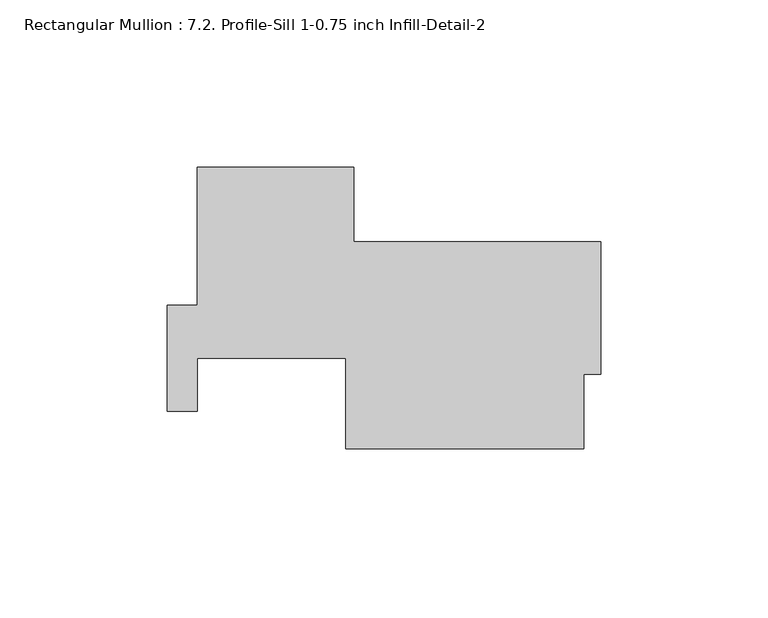
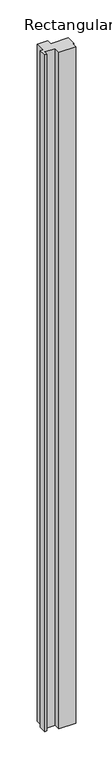
"""IFC4 building model written with IfcOpenShell, lengths in millimetres: member geometry, Rectangular Mullion : 7.2. Profile-Sill 1-0.75 inch Infill-Detail-2."""

import ifcopenshell
import ifcopenshell.guid

model = None  # the IFC model being written
_history = None  # IfcOwnerHistory: only IFC2X3 demands one
_inside = {}  # id of a spatial element -> (the spatial element, [elements in it])
_under = {}  # id of a project, library or spatial element -> (it, [spatial elements below it])
_declared = {}  # id of a project -> (the project, [libraries it declares])
_typed = {}  # id of a type object -> (the type object, [elements of that type])
_made_of = {}  # id of a material, layer set ... -> (it, [elements and type objects made of it])


def new_model(schema):
    """Start an empty IFC model of exactly this schema.

    Asked for "IFC4X3", IfcOpenShell would pick the latest addendum, in which some entities
    have other attributes; the version numbers below select the first issue.
    IFC2X3 requires an IfcOwnerHistory on every rooted entity: one is made here for all.
    """
    global model, _history
    if schema == "IFC4X3":
        model = ifcopenshell.file(schema_version=(4, 3, 0, 0))
    else:
        model = ifcopenshell.file(schema=schema)
    _inside.clear()
    _under.clear()
    _declared.clear()
    _typed.clear()
    _made_of.clear()
    _history = None
    if model.schema == "IFC2X3":
        org = make("IfcOrganization", Name="unknown")
        user = make(
            "IfcPersonAndOrganization",
            ThePerson=make("IfcPerson", FamilyName="unknown"),
            TheOrganization=org,
        )
        app = make(
            "IfcApplication",
            ApplicationDeveloper=org,
            Version="unknown",
            ApplicationFullName="unknown",
            ApplicationIdentifier="unknown",
        )
        _history = make(
            "IfcOwnerHistory",
            OwningUser=user,
            OwningApplication=app,
            ChangeAction="ADDED",
            CreationDate=0,
        )
    return model


def make(cls, **values):
    """One entity of the class cls with the attributes given. An attribute that is None is left unset."""
    return model.create_entity(
        cls, **{name: value for name, value in values.items() if value is not None}
    )


def rooted(cls, **values):
    """An entity with a GlobalId (a new one), such as an element, a storey or a relation."""
    return make(cls, GlobalId=ifcopenshell.guid.new(), OwnerHistory=_history, **values)


def si_unit(unit_type, name, prefix=None):
    """IfcSIUnit, for example si_unit("LENGTHUNIT", "METRE", prefix="MILLI")."""
    return make("IfcSIUnit", UnitType=unit_type, Prefix=prefix, Name=name)


def assignment(units):
    """IfcUnitAssignment: the units of a project."""
    return None if units is None else make("IfcUnitAssignment", Units=units)


def point(xyz):
    """IfcCartesianPoint."""
    return None if xyz is None else make("IfcCartesianPoint", Coordinates=xyz)


def direction(xyz):
    """IfcDirection."""
    return None if xyz is None else make("IfcDirection", DirectionRatios=xyz)


def frame(location, z_axis=None, x_axis=None):
    """IfcAxis2Placement3D, a coordinate frame: its origin and axes. An axis left out is left unset."""
    return make(
        "IfcAxis2Placement3D",
        Location=point(location),
        Axis=direction(z_axis),
        RefDirection=direction(x_axis),
    )


def origin():
    """The frame at (0, 0, 0) with its axes left unset."""
    return frame((0.0, 0.0, 0.0))


def place(relative_to, where):
    """IfcLocalPlacement: puts the frame where relative to a parent placement (None: the world)."""
    return make(
        "IfcLocalPlacement", PlacementRelTo=relative_to, RelativePlacement=where
    )


def context(
    kind, dimensions, precision=None, world=None, true_north=None, identifier=None
):
    """IfcGeometricRepresentationContext, for example the 3D "Model" context."""
    return make(
        "IfcGeometricRepresentationContext",
        ContextIdentifier=identifier,
        ContextType=kind,
        CoordinateSpaceDimension=dimensions,
        Precision=precision,
        WorldCoordinateSystem=world,
        TrueNorth=true_north,
    )


def project(units=None, contexts=None):
    """IfcProject with its units and contexts."""
    return rooted(
        "IfcProject",
        Name="project",
        RepresentationContexts=contexts,
        UnitsInContext=assignment(units),
    )


def spatial(cls, under=None, at=None, **own):
    """A site, building, storey or space (cls), placed at a placement, below another one or the project."""
    s = rooted(cls, ObjectPlacement=at, **own)
    if under is not None:
        _under.setdefault(under.id(), (under, []))[1].append(s)
    return s


def polyline(points):
    """IfcPolyline through the points."""
    return make("IfcPolyline", Points=[point(p) for p in points])


def outline(outer, holes=None, kind="AREA"):
    """IfcArbitraryClosedProfileDef: a profile drawn as a closed curve; with holes, ...WithVoids."""
    if holes is None:
        return make("IfcArbitraryClosedProfileDef", ProfileType=kind, OuterCurve=outer)
    return make(
        "IfcArbitraryProfileDefWithVoids",
        ProfileType=kind,
        OuterCurve=outer,
        InnerCurves=holes,
    )


def extrude(swept, where, along, depth):
    """IfcExtrudedAreaSolid: the profile swept, set in the frame where, extruded along a direction by depth."""
    return make(
        "IfcExtrudedAreaSolid",
        SweptArea=swept,
        Position=where,
        ExtrudedDirection=direction(along),
        Depth=depth,
    )


def shape(context_of_items, identifier, shape_type, items):
    """IfcShapeRepresentation: the items that make up one representation, for example the "Body"."""
    return make(
        "IfcShapeRepresentation",
        ContextOfItems=context_of_items,
        RepresentationIdentifier=identifier,
        RepresentationType=shape_type,
        Items=items,
    )


def source(mapping_origin, context_of_items, identifier, shape_type, items):
    """IfcRepresentationMap: a shape defined once, which mapped items show again and again."""
    return make(
        "IfcRepresentationMap",
        MappingOrigin=mapping_origin,
        MappedRepresentation=shape(context_of_items, identifier, shape_type, items),
    )


def transform(
    local_origin,
    x_axis=None,
    y_axis=None,
    z_axis=None,
    scale=None,
    scale2=None,
    scale3=None,
    uniform=True,
):
    """IfcCartesianTransformationOperator3D, or its non-uniform kind. x_axis, y_axis, z_axis: its Axis1, 2, 3."""
    if uniform:
        return make(
            "IfcCartesianTransformationOperator3D",
            Axis1=direction(x_axis),
            Axis2=direction(y_axis),
            LocalOrigin=point(local_origin),
            Scale=scale,
            Axis3=direction(z_axis),
        )
    return make(
        "IfcCartesianTransformationOperator3DnonUniform",
        Axis1=direction(x_axis),
        Axis2=direction(y_axis),
        LocalOrigin=point(local_origin),
        Scale=scale,
        Axis3=direction(z_axis),
        Scale2=scale2,
        Scale3=scale3,
    )


def mapped(mapping_source, mapping_target):
    """IfcMappedItem: shows the shape of a source again, moved by a transform."""
    return make(
        "IfcMappedItem", MappingSource=mapping_source, MappingTarget=mapping_target
    )


def made_of(thing, what):
    """Note that an element or type object is made of a material, layer set ...; save() writes the relation."""
    if what is not None:
        _made_of.setdefault(what.id(), (what, []))[1].append(thing)
    return thing


def element(
    cls,
    number,
    at=None,
    inside=None,
    cuts=None,
    type_object=None,
    material=None,
    context=None,
    identifier="Body",
    shape_type=None,
    held_by="IfcProductDefinitionShape",
    body=None,
    shapes=None,
    **own,
):
    """One element of the class cls, such as IfcWall. Its Tag is "e" and its number.

    at: its placement. inside: the storey or other place that contains it. cuts: it is an
    opening in that element (IfcRelVoidsElement). A single representation is given by context,
    identifier, shape_type and body (its items); several are given by shapes. held_by: the class
    of the entity that holds the representations. save() writes the other relations.
    """
    e = rooted(cls, Tag="e%d" % number, ObjectPlacement=at, **own)
    if body is not None:
        shapes = [shape(context, identifier, shape_type, body)]
    if shapes is not None:
        e.Representation = make(held_by, Representations=shapes)
    if inside is not None:
        _inside.setdefault(inside.id(), (inside, []))[1].append(e)
    if cuts is not None:
        rooted(
            "IfcRelVoidsElement", RelatingBuildingElement=cuts, RelatedOpeningElement=e
        )
    if type_object is not None:
        _typed.setdefault(type_object.id(), (type_object, []))[1].append(e)
    return made_of(e, material)


def aggregate(whole, parts):
    """IfcRelAggregates: a whole, such as a stair, and the parts it consists of."""
    return rooted("IfcRelAggregates", RelatingObject=whole, RelatedObjects=parts)


def save(model, path):
    """Write the relations noted so far, then the file.

    IfcRelAggregates (storeys below a building ...), IfcRelContainedInSpatialStructure (elements
    in a storey), IfcRelDefinesByType, IfcRelAssociatesMaterial and IfcRelDeclares: one each for
    every whole, place, type object, material and project.
    """
    for whole, parts in _under.values():
        aggregate(whole, parts)
    for where, things in _inside.values():
        rooted(
            "IfcRelContainedInSpatialStructure",
            RelatedElements=things,
            RelatingStructure=where,
        )
    for kind, things in _typed.values():
        rooted("IfcRelDefinesByType", RelatedObjects=things, RelatingType=kind)
    for what, things in _made_of.values():
        rooted("IfcRelAssociatesMaterial", RelatedObjects=things, RelatingMaterial=what)
    for by, libraries in _declared.values():
        rooted("IfcRelDeclares", RelatingContext=by, RelatedDefinitions=libraries)
    model.write(path)


def rectangular_mullion_7_2_profile_sill_1_0_75_inch_infill_dc6622d2(model_context):
    return source(origin(), model_context, "Body", "SweptSolid", [
        extrude(outline(polyline([(-5.0839665, -71.4375), (-5.0839665, -93.6625), (-76.2039665, -93.6625), (-76.2039665, -66.675), (-120.7053297, -66.675), (-120.7053297, -82.5086685), (-129.6201665, -82.5086685), (-129.6201665, -50.7586685), (-120.6539664, -50.7586685), (-120.6539664, -9.525), (-73.9179664, -9.525), (-73.9179664, -31.75), (0.0, -31.75), (0.0, -71.4375), (-5.0839665, -71.4375)])), frame((0.0, 0.0, -3048.0), z_axis=(0.0, 0.0, 1.0), x_axis=(1.0, 0.0, 0.0)), (0.0, 0.0, 1.0), 3048.0),
    ])


if __name__ == "__main__":
    model = new_model("IFC4")
    model_context = context("Model", 3, world=origin())
    ifc_project = project(units=[si_unit("LENGTHUNIT", "METRE", prefix="MILLI")], contexts=[model_context])
    site = spatial("IfcSite", under=ifc_project)
    building = spatial("IfcBuilding", under=site)
    placement = place(None, origin())
    rectangular_mullion_7_2_profile_sill_1_0_75_inch_infill_shape = rectangular_mullion_7_2_profile_sill_1_0_75_inch_infill_dc6622d2(model_context)
    element("IfcMember", 1, ObjectType="Rectangular Mullion : 7.2. Profile-Sill 1-0.75 inch Infill-Detail-2", at=placement, inside=building, context=model_context, shape_type="MappedRepresentation", body=[
        mapped(rectangular_mullion_7_2_profile_sill_1_0_75_inch_infill_shape, transform((0.0, 0.0, 0.0), x_axis=(1.0, 0.0, 0.0), y_axis=(0.0, 1.0, 0.0), z_axis=(0.0, 0.0, 1.0))),
    ])
    save(model, "model.ifc")
